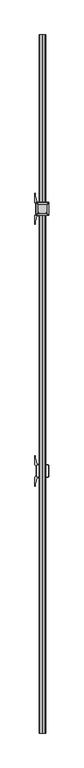
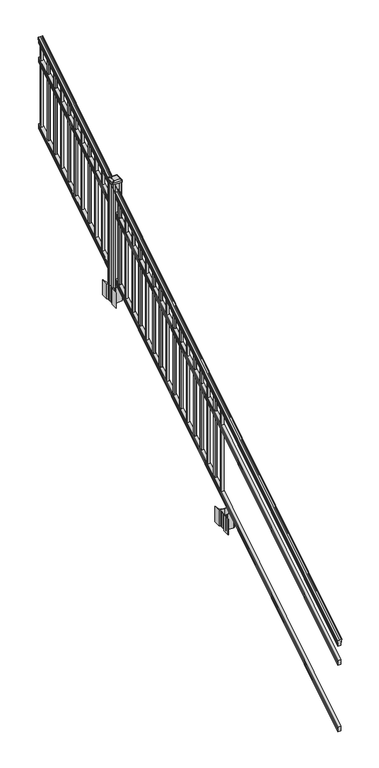
"""IFC4 building model written with IfcOpenShell, lengths in millimetres: railing geometry."""

from ifc_helpers import new_model, si_unit, point, frame, frame_2d, origin, place, context, project, spatial, polyline, circle_curve, ellipse_curve, trimmed, segment, composite_curve, outline, extrude, faceted_brep, source, transform, mapped, element, save
from ifc_brep_helpers import plane_surface, cylinder_surface, revolved_surface, extruded_surface, advanced_brep


def railing_3be7d18c(model_context):
    return source(origin(), model_context, "Body", "SolidModel", [
        advanced_brep(
        [(6977.4704765, -129368.4628453, 1133.2070492), (6977.4704765, -129368.4628453, 1135.4335658), (6978.6006628, -129368.4628453, 1137.2758543), (6978.6006628, -129368.4628453, 1145.7876358), (6977.9514064, -129368.4628453, 1148.6572588), (6980.4514064, -129368.4628453, 1153.7635509), (6981.8607489, -129368.4628453, 1155.7442021), (6982.2626479, -129368.4628453, 1157.0469579), (6982.2626478, -129368.4628453, 1158.6274846), (6980.7092005, -129368.4628453, 1160.4593836), (6960.0376478, -129368.4628453, 1160.4593836), (6939.366095, -129368.4628453, 1160.4593836), (6937.8126478, -129368.4628453, 1158.6274846), (6937.8126478, -129368.4628453, 1157.0469579), (6938.2145467, -129368.4628453, 1155.7442021), (6939.6238891, -129368.4628453, 1153.7635509), (6942.1238891, -129368.4628453, 1148.6572588), (6941.4746327, -129368.4628453, 1145.7876358), (6941.4746327, -129368.4628453, 1137.2758543), (6942.604819, -129368.4628453, 1135.4335658), (6942.604819, -129368.4628453, 1133.2070492), (6945.1786478, -129368.4628453, 1133.2070492), (6945.1786478, -129368.4628453, 1120.825537), (6944.1626478, -129368.4628453, 1119.6274214), (6944.1626478, -129368.4628453, 1104.9), (6975.9126478, -129368.4628453, 1104.9), (6975.9126478, -129368.4628453, 1119.441318), (6974.8966478, -129368.4628453, 1120.6394336), (6974.8966478, -129368.4628453, 1133.2070492), (6977.4704765, -124491.6628453, 4181.2070492), (6974.8966478, -124491.6628453, 4181.2070492), (6974.8966478, -124491.6628453, 4168.6394336), (6975.9126478, -124491.6628453, 4167.441318), (6975.9126478, -124491.6628453, 4152.9), (6944.1626478, -124491.6628453, 4152.9), (6944.1626478, -124491.6628453, 4167.6274214), (6945.1786478, -124491.6628453, 4168.825537), (6945.1786478, -124491.6628453, 4181.2070492), (6942.604819, -124491.6628453, 4181.2070492), (6942.604819, -124491.6628453, 4183.4335658), (6941.4746327, -124491.6628453, 4185.2758543), (6941.4746327, -124491.6628453, 4193.7876358), (6942.1238891, -124491.6628453, 4196.6572588), (6939.6238891, -124491.6628453, 4201.7635509), (6938.2145467, -124491.6628453, 4203.7442021), (6937.8126477, -124491.6628453, 4205.0469579), (6937.8126478, -124491.6628453, 4206.6274846), (6939.366095, -124491.6628453, 4208.4593836), (6960.0376478, -124491.6628453, 4208.4593836), (6980.7092005, -124491.6628453, 4208.4593836), (6982.2626478, -124491.6628453, 4206.6274846), (6982.2626478, -124491.6628453, 4205.0469579), (6981.8607489, -124491.6628453, 4203.7442021), (6980.4514064, -124491.6628453, 4201.7635509), (6977.9514064, -124491.6628453, 4196.6572588), (6978.6006628, -124491.6628453, 4193.7876358), (6978.6006628, -124491.6628453, 4185.2758543), (6977.4704765, -124491.6628453, 4183.4335658)],
        [
            (0, 1),
            (1, 2, ellipse_curve(frame((6971.1557232, -129368.4628453, 1142.2239405), z_axis=(0.0, -1.0, 0.0), x_axis=(0.0, 0.0, -1.0)), 10.0777926, 8.545951)),
            (2, 3, ellipse_curve(frame((6971.5927862, -129368.4628453, 1141.5317451), z_axis=(0.0, -1.0, 0.0), x_axis=(0.0, 0.0, -1.0)), 9.2955186, 7.882584)),
            (3, 4, ellipse_curve(frame((6982.1061103, -129368.4628453, 1148.4275077), z_axis=(0.0, 1.0, 0.0), x_axis=(0.0, 0.0, 1.0)), 4.9048088, 4.1592695)),
            (4, 5, ellipse_curve(frame((6983.3934169, -129368.4628453, 1148.3563208), z_axis=(0.0, 1.0, 0.0), x_axis=(0.0, 0.0, 1.0)), 6.4245301, 5.4479907)),
            (5, 6, ellipse_curve(frame((6982.1602584, -129368.4628453, 1153.7602333), z_axis=(0.0, 1.0, 0.0), x_axis=(0.0, 0.0, 1.0)), 2.0151625, 1.7088543)),
            (6, 7, ellipse_curve(frame((6980.5433583, -129368.4628453, 1157.0469579), z_axis=(0.0, -1.0, 0.0), x_axis=(0.0, 0.0, -1.0)), 2.0274681, 1.7192895)),
            (7, 8),
            (8, 9, ellipse_curve(frame((6980.7092005, -129368.4628453, 1158.6274846), z_axis=(0.0, -1.0, 0.0), x_axis=(0.0, 0.0, -1.0)), 1.831899, 1.5534472)),
            (9, 10),
            (10, 11),
            (11, 12, ellipse_curve(frame((6939.366095, -129368.4628453, 1158.6274846), z_axis=(0.0, -1.0, 0.0), x_axis=(0.0, 0.0, -1.0)), 1.831899, 1.5534472)),
            (12, 13),
            (13, 14, ellipse_curve(frame((6939.5319372, -129368.4628453, 1157.0469579), z_axis=(0.0, -1.0, 0.0), x_axis=(0.0, 0.0, -1.0)), 2.0274681, 1.7192895)),
            (14, 15, ellipse_curve(frame((6937.9150371, -129368.4628453, 1153.7602333), z_axis=(0.0, 1.0, 0.0), x_axis=(0.0, 0.0, 1.0)), 2.0151625, 1.7088543)),
            (15, 16, ellipse_curve(frame((6936.6818787, -129368.4628453, 1148.3563208), z_axis=(0.0, 1.0, 0.0), x_axis=(0.0, 0.0, 1.0)), 6.4245301, 5.4479907)),
            (16, 17, ellipse_curve(frame((6937.9691852, -129368.4628453, 1148.4275077), z_axis=(0.0, 1.0, 0.0), x_axis=(0.0, 0.0, 1.0)), 4.9048088, 4.1592695)),
            (17, 18, ellipse_curve(frame((6948.4825093, -129368.4628453, 1141.5317451), z_axis=(0.0, -1.0, 0.0), x_axis=(0.0, 0.0, -1.0)), 9.2955186, 7.882584)),
            (18, 19, ellipse_curve(frame((6948.9195723, -129368.4628453, 1142.2239405), z_axis=(0.0, -1.0, 0.0), x_axis=(0.0, 0.0, -1.0)), 10.0777926, 8.545951)),
            (19, 20),
            (20, 21, ellipse_curve(frame((6943.8917334, -129368.4628453, 1133.2070492), z_axis=(0.0, -1.0, 0.0), x_axis=(0.0, 0.0, -1.0)), 1.5175907, 1.2869144)),
            (21, 22),
            (22, 23),
            (23, 24),
            (24, 25),
            (25, 26),
            (26, 27),
            (27, 28),
            (28, 0, ellipse_curve(frame((6976.1835621, -129368.4628453, 1133.2070492), z_axis=(0.0, -1.0, 0.0), x_axis=(0.0, 0.0, -1.0)), 1.5175907, 1.2869144)),
            (29, 30, ellipse_curve(frame((6976.1835621, -124491.6628453, 4181.2070492), z_axis=(0.0, 1.0, 0.0), x_axis=(0.0, 0.0, -1.0)), 1.5175907, 1.2869144)),
            (30, 31),
            (31, 32),
            (32, 33),
            (33, 34),
            (34, 35),
            (35, 36),
            (36, 37),
            (37, 38, ellipse_curve(frame((6943.8917334, -124491.6628453, 4181.2070492), z_axis=(0.0, 1.0, 0.0), x_axis=(0.0, 0.0, -1.0)), 1.5175907, 1.2869144)),
            (38, 39),
            (39, 40, ellipse_curve(frame((6948.9195723, -124491.6628453, 4190.2239405), z_axis=(0.0, 1.0, 0.0), x_axis=(0.0, 0.0, -1.0)), 10.0777926, 8.545951)),
            (40, 41, ellipse_curve(frame((6948.4825093, -124491.6628453, 4189.5317451), z_axis=(0.0, 1.0, 0.0), x_axis=(0.0, 0.0, -1.0)), 9.2955186, 7.882584)),
            (41, 42, ellipse_curve(frame((6937.9691852, -124491.6628453, 4196.4275077), z_axis=(0.0, -1.0, 0.0), x_axis=(0.0, 0.0, 1.0)), 4.9048088, 4.1592695)),
            (42, 43, ellipse_curve(frame((6936.6818787, -124491.6628453, 4196.3563208), z_axis=(0.0, -1.0, 0.0), x_axis=(0.0, 0.0, 1.0)), 6.4245301, 5.4479907)),
            (43, 44, ellipse_curve(frame((6937.9150371, -124491.6628453, 4201.7602333), z_axis=(0.0, -1.0, 0.0), x_axis=(0.0, 0.0, 1.0)), 2.0151625, 1.7088543)),
            (44, 45, ellipse_curve(frame((6939.5319372, -124491.6628453, 4205.0469579), z_axis=(0.0, 1.0, 0.0), x_axis=(0.0, 0.0, -1.0)), 2.0274681, 1.7192895)),
            (45, 46),
            (46, 47, ellipse_curve(frame((6939.366095, -124491.6628453, 4206.6274846), z_axis=(0.0, 1.0, 0.0), x_axis=(0.0, 0.0, -1.0)), 1.831899, 1.5534472)),
            (47, 48),
            (48, 49),
            (49, 50, ellipse_curve(frame((6980.7092005, -124491.6628453, 4206.6274846), z_axis=(0.0, 1.0, 0.0), x_axis=(0.0, 0.0, -1.0)), 1.831899, 1.5534472)),
            (50, 51),
            (51, 52, ellipse_curve(frame((6980.5433583, -124491.6628453, 4205.0469579), z_axis=(0.0, 1.0, 0.0), x_axis=(0.0, 0.0, -1.0)), 2.0274681, 1.7192895)),
            (52, 53, ellipse_curve(frame((6982.1602584, -124491.6628453, 4201.7602333), z_axis=(0.0, -1.0, 0.0), x_axis=(0.0, 0.0, 1.0)), 2.0151625, 1.7088543)),
            (53, 54, ellipse_curve(frame((6983.3934169, -124491.6628453, 4196.3563208), z_axis=(0.0, -1.0, 0.0), x_axis=(0.0, 0.0, 1.0)), 6.4245301, 5.4479907)),
            (54, 55, ellipse_curve(frame((6982.1061103, -124491.6628453, 4196.4275077), z_axis=(0.0, -1.0, 0.0), x_axis=(0.0, 0.0, 1.0)), 4.9048088, 4.1592695)),
            (55, 56, ellipse_curve(frame((6971.5927862, -124491.6628453, 4189.5317451), z_axis=(0.0, 1.0, 0.0), x_axis=(0.0, 0.0, -1.0)), 9.2955186, 7.882584)),
            (56, 57, ellipse_curve(frame((6971.1557232, -124491.6628453, 4190.2239405), z_axis=(0.0, 1.0, 0.0), x_axis=(0.0, 0.0, -1.0)), 10.0777926, 8.545951)),
            (57, 29),
            (28, 30),
            (29, 0),
            (27, 31),
            (26, 32),
            (25, 33),
            (24, 34),
            (23, 35),
            (22, 36),
            (21, 37),
            (20, 38),
            (19, 39),
            (18, 40),
            (17, 41),
            (16, 42),
            (15, 43),
            (14, 44),
            (13, 45),
            (12, 46),
            (11, 47),
            (10, 48),
            (9, 49),
            (8, 50),
            (7, 51),
            (6, 52),
            (5, 53),
            (4, 54),
            (3, 55),
            (2, 56),
            (1, 57),
        ],
        [
            plane_surface(frame((6960.0376478, -129368.4628453, 1104.9), z_axis=(0.0, -1.0, 0.0), x_axis=(0.0, 0.0, 1.0))),
            plane_surface(frame((6960.0376478, -124491.6628453, 4152.9), z_axis=(0.0, 1.0, 0.0), x_axis=(0.0, 0.0, 1.0))),
            cylinder_surface(frame((6976.1835621, -129381.1851146, 1125.2556309), z_axis=(0.0, -0.8479983040051253, -0.5299989400031204), x_axis=(-1.0, 0.0, 0.0)), 1.2869144),
            plane_surface(frame((6974.8966478, -129368.4628453, 1120.6394336), z_axis=(1.0000000000000002, 0.0, 0.0), x_axis=(0.0, 0.8479983040051253, 0.5299989400031204))),
            plane_surface(frame((6975.9126478, -129368.4628453, 1119.441318), z_axis=(0.7071067811865389, -0.374765844497894, 0.5996253511967226), x_axis=(0.0, 0.8479983040051253, 0.5299989400031204))),
            plane_surface(frame((6975.9126478, -129368.4628453, 1104.9), z_axis=(1.0, 0.0, 0.0), x_axis=(0.0, 0.8479983040051252, 0.5299989400031204))),
            plane_surface(frame((6944.1626478, -129368.4628453, 1104.9), z_axis=(0.0, 0.5299989400031204, -0.8479983040051252), x_axis=(0.0, 0.8479983040051252, 0.5299989400031204))),
            plane_surface(frame((6944.1626478, -129368.4628453, 1119.6274214), z_axis=(-1.0000000000000002, 0.0, 0.0), x_axis=(0.0, 0.8479983040051253, 0.5299989400031204))),
            plane_surface(frame((6945.1786478, -129368.4628453, 1120.825537), z_axis=(-0.7071067811865437, -0.37476584449788986, 0.5996253511967191), x_axis=(0.0, 0.8479983040051252, 0.5299989400031204))),
            plane_surface(frame((6945.1786478, -129368.4628453, 1133.2070492), z_axis=(-1.0, 0.0, 0.0), x_axis=(0.0, 0.8479983040051252, 0.5299989400031204))),
            cylinder_surface(frame((6943.8917334, -129381.1851146, 1125.2556309), z_axis=(0.0, -0.8479983040051253, -0.5299989400031204), x_axis=(1.0, 0.0, 0.0)), 1.2869144),
            plane_surface(frame((6942.604819, -129368.4628453, 1135.4335658), z_axis=(-1.0, 0.0, 0.0), x_axis=(0.0, 0.8479983040051252, 0.5299989400031204))),
            cylinder_surface(frame((6948.9195723, -129385.23765, 1131.7396876), z_axis=(0.0, -0.8479983040051253, -0.5299989400031204), x_axis=(1.0, 0.0, 0.0)), 8.545951),
            cylinder_surface(frame((6948.4825093, -129384.9265509, 1131.241929), z_axis=(0.0, -0.8479983040051253, -0.5299989400031204), x_axis=(1.0, 0.0, 0.0)), 7.882584),
            revolved_surface(polyline([(6942.1284547, -124489.45843685034, 4197.805262980552), (6942.1284547, -129370.66725374945, 1147.0497524190953)]), (6937.9691852, -129388.0257701, 1136.2006797), (0.0, 0.8479983040051253, 0.5299989400031204)),
            revolved_surface(polyline([(6942.129869400001, -124488.77541603574, 4198.160964077185), (6942.129869400001, -129371.35027455281, 1146.551677504493)]), (6936.6818787, -129387.993776, 1136.1494891), (0.0, 0.8479983040051253, 0.5299989400031204)),
            revolved_surface(polyline([(6939.6238914, -124490.75715429979, 4202.326290199658), (6939.6238914, -129369.36853632248, 1153.1941764359544)]), (6937.9150371, -129390.4225007, 1140.0354487), (0.0, 0.8479983040051253, 0.5299989400031204)),
            cylinder_surface(frame((6939.5319372, -129391.8996803, 1142.398936), z_axis=(0.0, -0.8479983040051253, -0.5299989400031204), x_axis=(1.0, 0.0, 0.0)), 1.7192895),
            plane_surface(frame((6937.8126478, -129368.4628453, 1158.6274846), z_axis=(-1.0, 0.0, 0.0), x_axis=(0.0, 0.8479983040051252, 0.5299989400031204))),
            cylinder_surface(frame((6939.366095, -129392.6100294, 1143.5354945), z_axis=(0.0, -0.8479983040051253, -0.5299989400031204), x_axis=(1.0, 0.0, 0.0)), 1.5534472),
            plane_surface(frame((6960.0376478, -129368.4628453, 1160.4593836), z_axis=(0.0, -0.5299989400031204, 0.8479983040051252), x_axis=(0.0, 0.8479983040051252, 0.5299989400031204))),
            plane_surface(frame((6980.7092005, -129368.4628453, 1160.4593836), z_axis=(0.0, -0.5299989400031204, 0.8479983040051252), x_axis=(0.0, 0.8479983040051252, 0.5299989400031204))),
            cylinder_surface(frame((6980.7092005, -129392.6100294, 1143.5354945), z_axis=(0.0, -0.8479983040051253, -0.5299989400031204), x_axis=(-1.0, 0.0, 0.0)), 1.5534472),
            plane_surface(frame((6982.2626478, -129368.4628453, 1157.0469579), z_axis=(1.0000000000000002, 0.0, 0.0), x_axis=(0.0, 0.8479983040051253, 0.5299989400031204))),
            cylinder_surface(frame((6980.5433583, -129391.8996803, 1142.398936), z_axis=(0.0, -0.8479983040051253, -0.5299989400031204), x_axis=(-1.0, 0.0, 0.0)), 1.7192895),
            revolved_surface(polyline([(6980.4514041, -124490.75715429979, 4202.326290199658), (6980.4514041, -129369.36853632248, 1153.1941764359544)]), (6982.1602584, -129390.4225007, 1140.0354487), (0.0, 0.8479983040051253, 0.5299989400031204)),
            revolved_surface(polyline([(6977.9454262, -124488.77541603574, 4198.160964077185), (6977.9454262, -129371.35027455281, 1146.551677504493)]), (6983.3934169, -129387.993776, 1136.1494891), (0.0, 0.8479983040051253, 0.5299989400031204)),
            revolved_surface(polyline([(6977.9468408, -124489.45843685034, 4197.805262980552), (6977.9468408, -129370.66725374945, 1147.0497524190953)]), (6982.1061103, -129388.0257701, 1136.2006797), (0.0, 0.8479983040051253, 0.5299989400031204)),
            cylinder_surface(frame((6971.5927862, -129384.9265509, 1131.241929), z_axis=(0.0, -0.8479983040051253, -0.5299989400031204), x_axis=(-1.0, 0.0, 0.0)), 7.882584),
            cylinder_surface(frame((6971.1557232, -129385.23765, 1131.7396876), z_axis=(0.0, -0.8479983040051253, -0.5299989400031204), x_axis=(-1.0, 0.0, 0.0)), 8.545951),
            plane_surface(frame((6977.4704765, -129368.4628453, 1133.2070492), z_axis=(1.0, 0.0, 0.0), x_axis=(0.0, 0.8479983040051252, 0.5299989400031204))),
        ],
        [
            (0, [[1, 2, 3, 4, 5, 6, 7, 8, 9, 10, 11, 12, 13, 14, 15, 16, 17, 18, 19, 20, 21, 22, 23, 24, 25, 26, 27, 28, 29]]),
            (1, [[30, 31, 32, 33, 34, 35, 36, 37, 38, 39, 40, 41, 42, 43, 44, 45, 46, 47, 48, 49, 50, 51, 52, 53, 54, 55, 56, 57, 58]]),
            (2, [[-29, 59, -30, 60]]),
            (3, [[-28, 61, -31, -59]]),
            (4, [[-27, 62, -32, -61]]),
            (5, [[-26, 63, -33, -62]]),
            (6, [[-25, 64, -34, -63]]),
            (7, [[-24, 65, -35, -64]]),
            (8, [[-23, 66, -36, -65]]),
            (9, [[-22, 67, -37, -66]]),
            (10, [[-21, 68, -38, -67]]),
            (11, [[-20, 69, -39, -68]]),
            (12, [[-19, 70, -40, -69]]),
            (13, [[-18, 71, -41, -70]]),
            (14, [[-17, 72, -42, -71]]),
            (15, [[-16, 73, -43, -72]]),
            (16, [[-15, 74, -44, -73]]),
            (17, [[-14, 75, -45, -74]]),
            (18, [[-13, 76, -46, -75]]),
            (19, [[-12, 77, -47, -76]]),
            (20, [[-11, 78, -48, -77]]),
            (21, [[-10, 79, -49, -78]]),
            (22, [[-9, 80, -50, -79]]),
            (23, [[-8, 81, -51, -80]]),
            (24, [[-7, 82, -52, -81]]),
            (25, [[-6, 83, -53, -82]]),
            (26, [[-5, 84, -54, -83]]),
            (27, [[-4, 85, -55, -84]]),
            (28, [[-3, 86, -56, -85]]),
            (29, [[-2, 87, -57, -86]]),
            (30, [[-1, -60, -58, -87]]),
        ],
    ),
        faceted_brep([(6975.9501347, -129368.4628453, 929.2045079), (6974.9341347, -129368.4628453, 930.738026), (6974.9341347, -129368.4628453, 942.9545048), (6975.9501347, -129368.4628453, 944.5444579), (6975.9501347, -129368.4628453, 959.3244744), (6944.2001347, -129368.4628453, 959.3244744), (6944.2001347, -129368.4628453, 944.5248272), (6945.2161347, -129368.4628453, 942.9348741), (6945.2161347, -129368.4628453, 930.7748303), (6944.2001347, -129368.4628453, 929.1848772), (6944.2001347, -129368.4628453, 914.4), (6975.9501347, -129368.4628453, 914.4), (6975.9501347, -124491.6628453, 3977.2045079), (6975.9501347, -124491.6628453, 3962.4), (6944.2001347, -124491.6628453, 3962.4), (6944.2001347, -124491.6628453, 3977.1848772), (6945.2161347, -124491.6628453, 3978.7748303), (6945.2161347, -124491.6628453, 3990.9348741), (6944.2001347, -124491.6628453, 3992.5248272), (6944.2001347, -124491.6628453, 4007.3244744), (6975.9501347, -124491.6628453, 4007.3244744), (6975.9501347, -124491.6628453, 3992.5444579), (6974.9341347, -124491.6628453, 3990.9545048), (6974.9341347, -124491.6628453, 3978.738026)], [[[0, 1, 2, 3, 4, 5, 6, 7, 8, 9, 10, 11]], [[12, 13, 14, 15, 16, 17, 18, 19, 20, 21, 22, 23]], [[0, 11, 13, 12]], [[11, 10, 14, 13]], [[10, 9, 15, 14]], [[9, 8, 16, 15]], [[8, 7, 17, 16]], [[7, 6, 18, 17]], [[6, 5, 19, 18]], [[5, 4, 20, 19]], [[4, 3, 21, 20]], [[3, 2, 22, 21]], [[2, 1, 23, 22]], [[1, 0, 12, 23]]]),
        faceted_brep([(6975.9501347, -129368.4628453, 268.8045079), (6974.9341347, -129368.4628453, 270.338026), (6974.9341347, -129368.4628453, 282.5545048), (6975.9501347, -129368.4628453, 284.1444579), (6975.9501347, -129368.4628453, 298.9244744), (6944.2001347, -129368.4628453, 298.9244744), (6944.2001347, -129368.4628453, 284.1248272), (6945.2161347, -129368.4628453, 282.5348741), (6945.2161347, -129368.4628453, 270.3748303), (6944.2001347, -129368.4628453, 268.7848772), (6944.2001347, -129368.4628453, 254.0), (6975.9501347, -129368.4628453, 254.0), (6975.9501347, -124491.6628453, 3316.8045079), (6975.9501347, -124491.6628453, 3302.0), (6944.2001347, -124491.6628453, 3302.0), (6944.2001347, -124491.6628453, 3316.7848772), (6945.2161347, -124491.6628453, 3318.3748303), (6945.2161347, -124491.6628453, 3330.5348741), (6944.2001347, -124491.6628453, 3332.1248272), (6944.2001347, -124491.6628453, 3346.9244744), (6975.9501347, -124491.6628453, 3346.9244744), (6975.9501347, -124491.6628453, 3332.1444579), (6974.9341347, -124491.6628453, 3330.5545048), (6974.9341347, -124491.6628453, 3318.338026)], [[[0, 1, 2, 3, 4, 5, 6, 7, 8, 9, 10, 11]], [[12, 13, 14, 15, 16, 17, 18, 19, 20, 21, 22, 23]], [[2, 1, 23, 22]], [[4, 3, 21, 20]], [[6, 5, 19, 18]], [[0, 11, 13, 12]], [[1, 0, 12, 23]], [[3, 2, 22, 21]], [[5, 4, 20, 19]], [[7, 6, 18, 17]], [[8, 7, 17, 16]], [[9, 8, 16, 15]], [[10, 9, 15, 14]], [[11, 10, 14, 13]]]),
        extrude(outline(polyline([(6969.5626478, -124522.7778453), (6950.5126478, -124522.7778453), (6950.5126478, -124503.7278453), (6969.5626478, -124503.7278453), (6969.5626478, -124522.7778453)]), holes=[polyline([(6969.1657728, -124522.3809703), (6969.1657728, -124504.1247203), (6950.9095228, -124504.1247203), (6950.9095228, -124522.3809703), (6969.1657728, -124522.3809703)])]), frame((0.0, 0.0, 3326.6021281), z_axis=(0.0, 0.0, 1.0), x_axis=(1.0, 0.0, 0.0)), (0.0, 0.0, 1.0), 812.8041219),
        extrude(outline(polyline([(6969.5626478, -124634.0298453), (6950.5126478, -124634.0298453), (6950.5126478, -124614.9798453), (6969.5626478, -124614.9798453), (6969.5626478, -124634.0298453)]), holes=[polyline([(6969.1657728, -124633.6329703), (6969.1657728, -124615.3767203), (6950.9095228, -124615.3767203), (6950.9095228, -124633.6329703), (6969.1657728, -124633.6329703)])]), frame((0.0, 0.0, 3257.0696281), z_axis=(0.0, 0.0, 1.0), x_axis=(1.0, 0.0, 0.0)), (0.0, 0.0, 1.0), 812.8041219),
        extrude(outline(polyline([(6969.5626478, -124745.2818453), (6950.5126478, -124745.2818453), (6950.5126478, -124726.2318453), (6969.5626478, -124726.2318453), (6969.5626478, -124745.2818453)]), holes=[polyline([(6969.1657728, -124744.8849703), (6969.1657728, -124726.6287203), (6950.9095228, -124726.6287203), (6950.9095228, -124744.8849703), (6969.1657728, -124744.8849703)])]), frame((0.0, 0.0, 3187.5371281), z_axis=(0.0, 0.0, 1.0), x_axis=(1.0, 0.0, 0.0)), (0.0, 0.0, 1.0), 812.8041219),
        extrude(outline(polyline([(6969.5626478, -124856.5338453), (6950.5126478, -124856.5338453), (6950.5126478, -124837.4838453), (6969.5626478, -124837.4838453), (6969.5626478, -124856.5338453)]), holes=[polyline([(6969.1657728, -124856.1369703), (6969.1657728, -124837.8807203), (6950.9095228, -124837.8807203), (6950.9095228, -124856.1369703), (6969.1657728, -124856.1369703)])]), frame((0.0, 0.0, 3118.0046281), z_axis=(0.0, 0.0, 1.0), x_axis=(1.0, 0.0, 0.0)), (0.0, 0.0, 1.0), 812.8041219),
        extrude(outline(polyline([(6969.5626478, -124967.7858453), (6950.5126478, -124967.7858453), (6950.5126478, -124948.7358453), (6969.5626478, -124948.7358453), (6969.5626478, -124967.7858453)]), holes=[polyline([(6969.1657728, -124967.3889703), (6969.1657728, -124949.1327203), (6950.9095228, -124949.1327203), (6950.9095228, -124967.3889703), (6969.1657728, -124967.3889703)])]), frame((0.0, 0.0, 3048.4721281), z_axis=(0.0, 0.0, 1.0), x_axis=(1.0, 0.0, 0.0)), (0.0, 0.0, 1.0), 812.8041219),
        extrude(outline(polyline([(6969.5626478, -125079.0378453), (6950.5126478, -125079.0378453), (6950.5126478, -125059.9878453), (6969.5626478, -125059.9878453), (6969.5626478, -125079.0378453)]), holes=[polyline([(6969.1657728, -125078.6409703), (6969.1657728, -125060.3847203), (6950.9095228, -125060.3847203), (6950.9095228, -125078.6409703), (6969.1657728, -125078.6409703)])]), frame((0.0, 0.0, 2978.9396281), z_axis=(0.0, 0.0, 1.0), x_axis=(1.0, 0.0, 0.0)), (0.0, 0.0, 1.0), 812.8041219),
        extrude(outline(polyline([(6969.5626478, -125190.2898453), (6950.5126478, -125190.2898453), (6950.5126478, -125171.2398453), (6969.5626478, -125171.2398453), (6969.5626478, -125190.2898453)]), holes=[polyline([(6969.1657728, -125189.8929703), (6969.1657728, -125171.6367203), (6950.9095228, -125171.6367203), (6950.9095228, -125189.8929703), (6969.1657728, -125189.8929703)])]), frame((0.0, 0.0, 2909.4071281), z_axis=(0.0, 0.0, 1.0), x_axis=(1.0, 0.0, 0.0)), (0.0, 0.0, 1.0), 812.8041219),
        extrude(outline(polyline([(6969.5626478, -125301.5418453), (6950.5126478, -125301.5418453), (6950.5126478, -125282.4918453), (6969.5626478, -125282.4918453), (6969.5626478, -125301.5418453)]), holes=[polyline([(6969.1657728, -125301.1449703), (6969.1657728, -125282.8887203), (6950.9095228, -125282.8887203), (6950.9095228, -125301.1449703), (6969.1657728, -125301.1449703)])]), frame((0.0, 0.0, 2839.8746281), z_axis=(0.0, 0.0, 1.0), x_axis=(1.0, 0.0, 0.0)), (0.0, 0.0, 1.0), 812.8041219),
        extrude(outline(polyline([(6969.5626478, -125412.7938453), (6950.5126478, -125412.7938453), (6950.5126478, -125393.7438453), (6969.5626478, -125393.7438453), (6969.5626478, -125412.7938453)]), holes=[polyline([(6969.1657728, -125412.3969703), (6969.1657728, -125394.1407203), (6950.9095228, -125394.1407203), (6950.9095228, -125412.3969703), (6969.1657728, -125412.3969703)])]), frame((0.0, 0.0, 2770.3421281), z_axis=(0.0, 0.0, 1.0), x_axis=(1.0, 0.0, 0.0)), (0.0, 0.0, 1.0), 812.8041219),
        extrude(outline(polyline([(6969.5626478, -125524.0458453), (6950.5126478, -125524.0458453), (6950.5126478, -125504.9958453), (6969.5626478, -125504.9958453), (6969.5626478, -125524.0458453)]), holes=[polyline([(6969.1657728, -125523.6489703), (6969.1657728, -125505.3927203), (6950.9095228, -125505.3927203), (6950.9095228, -125523.6489703), (6969.1657728, -125523.6489703)])]), frame((0.0, 0.0, 2700.8096281), z_axis=(0.0, 0.0, 1.0), x_axis=(1.0, 0.0, 0.0)), (0.0, 0.0, 1.0), 812.8041219),
        extrude(outline(polyline([(6969.5626478, -125635.2978453), (6950.5126478, -125635.2978453), (6950.5126478, -125616.2478453), (6969.5626478, -125616.2478453), (6969.5626478, -125635.2978453)]), holes=[polyline([(6969.1657728, -125634.9009703), (6969.1657728, -125616.6447203), (6950.9095228, -125616.6447203), (6950.9095228, -125634.9009703), (6969.1657728, -125634.9009703)])]), frame((0.0, 0.0, 2631.2771281), z_axis=(0.0, 0.0, 1.0), x_axis=(1.0, 0.0, 0.0)), (0.0, 0.0, 1.0), 812.8041219),
        extrude(outline(composite_curve([segment(polyline([(7002.7731478, -125724.1849401), (7004.3606478, -125724.9469401), (7004.3606478, -125747.7488682), (7000.9876707, -125751.1218453), (6939.5279999, -125751.1218453), (6939.5279999, -125752.0425953), (6934.2104561, -125752.0425953), (6934.2104561, -125753.49685), (6929.1259264, -125753.49685), (6929.1259264, -125754.7808738), (6927.4586541, -125754.7808738)]), True, "CONTINUOUS"), segment(trimmed(circle_curve(frame_2d((6927.4586541, -125761.8403337)), 7.0594599), [point((6927.4586541, -125754.7808738))], [point((6920.6913912, -125759.830327))], True, "CARTESIAN"), True, "CONTINUOUS"), segment(polyline([(6920.6913912, -125759.830327), (6912.8171969, -125786.3410561)]), True, "CONTINUOUS"), segment(trimmed(circle_curve(frame_2d((6967.6017103, -125802.6131057)), 57.15), [point((6912.8171969, -125786.3410561))], [point((6910.4517103, -125802.6131057))], True, "CARTESIAN"), True, "CONTINUOUS"), segment(polyline([(6910.4517103, -125802.6131057), (6910.4517103, -125814.6218453), (6907.4517103, -125814.6218453), (6907.4517103, -125749.5343453), (6915.7146478, -125738.196054), (6915.7146478, -125724.9469401), (6917.3021478, -125724.1849401), (6917.3021478, -125689.4127504), (6915.7146478, -125688.6507504), (6915.7146478, -125675.4016366), (6907.4517103, -125664.0633453), (6907.4517103, -125598.9758453), (6910.4517103, -125598.9758453), (6910.4517103, -125610.9845848)]), True, "CONTINUOUS"), segment(trimmed(circle_curve(frame_2d((6967.6017103, -125610.9845848)), 57.15), [point((6910.4517103, -125610.9845848))], [point((6912.8171969, -125627.2566345))], True, "CARTESIAN"), True, "CONTINUOUS"), segment(polyline([(6912.8171969, -125627.2566345), (6920.6913912, -125653.7673636)]), True, "CONTINUOUS"), segment(trimmed(circle_curve(frame_2d((6927.4586541, -125651.7573569)), 7.0594599), [point((6920.6913912, -125653.7673636))], [point((6927.4586541, -125658.8168168))], True, "CARTESIAN"), True, "CONTINUOUS"), segment(polyline([(6927.4586541, -125658.8168168), (6929.1259264, -125658.8168168), (6929.1259264, -125660.1008406), (6934.2104561, -125660.1008406), (6934.2104561, -125661.5550953), (6939.5279999, -125661.5550953), (6939.5279999, -125662.4758453), (7000.9876707, -125662.4758453), (7004.3606478, -125665.8488224), (7004.3606478, -125688.6507504), (7002.7731478, -125689.4127504), (7002.7731478, -125724.1849401)]), True, "CONTINUOUS")], self_intersect=False), holes=[polyline([(6918.7626478, -125667.1113453), (6918.7626478, -125746.4863453), (6920.3501478, -125748.0738453), (6957.2744304, -125748.0738453), (6999.7251478, -125748.0738453), (7001.3126478, -125746.4863453), (7001.3126478, -125667.1113453), (6999.7251478, -125665.5238453), (6957.2744304, -125665.5238453), (6920.3501478, -125665.5238453), (6918.7626478, -125667.1113453)])]), frame((0.0, 0.0, 2326.64), z_axis=(0.0, 0.0, 1.0), x_axis=(1.0, 0.0, 0.0)), (0.0, 0.0, 1.0), 152.4),
        advanced_brep(
        [(6934.2407728, -125735.7707203, 3538.979263), (6985.8345228, -125735.7707203, 3538.979263), (6989.0095228, -125732.5957203, 3538.979263), (6989.0095228, -125681.0019703, 3538.979263), (6985.8345228, -125677.8269703, 3538.979263), (6934.2407728, -125677.8269703, 3538.979263), (6931.0657728, -125681.0019703, 3538.979263), (6931.0657728, -125732.5957203, 3538.979263), (6917.9688978, -125752.0425953, 3527.676263), (6914.7938978, -125748.8675953, 3527.676263), (6914.7938978, -125664.7300953, 3527.676263), (6917.9688978, -125661.5550953, 3527.676263), (7002.1063978, -125661.5550953, 3527.676263), (7005.2813978, -125664.7300953, 3527.676263), (7005.2813978, -125748.8675953, 3527.676263), (7002.1063978, -125752.0425953, 3527.676263)],
        [
            (0, 1),
            (1, 2, circle_curve(frame((6985.8345228, -125732.5957203, 3538.979263), z_axis=(0.0, 0.0, 1.0), x_axis=(0.0, 1.0, 0.0)), 3.175)),
            (2, 3),
            (3, 4, circle_curve(frame((6985.8345228, -125681.0019703, 3538.979263), z_axis=(0.0, 0.0, 1.0), x_axis=(0.0, 1.0, 0.0)), 3.175)),
            (4, 5),
            (5, 6, circle_curve(frame((6934.2407728, -125681.0019703, 3538.979263), z_axis=(0.0, 0.0, 1.0), x_axis=(0.0, 1.0, 0.0)), 3.175)),
            (6, 7),
            (7, 0, circle_curve(frame((6934.2407728, -125732.5957203, 3538.979263), z_axis=(0.0, 0.0, 1.0), x_axis=(0.0, 1.0, 0.0)), 3.175)),
            (8, 9, circle_curve(frame((6917.9688978, -125748.8675953, 3527.676263), z_axis=(0.0, 0.0, -1.0), x_axis=(0.0, 1.0, 0.0)), 3.175)),
            (9, 10),
            (10, 11, circle_curve(frame((6917.9688978, -125664.7300953, 3527.676263), z_axis=(0.0, 0.0, -1.0), x_axis=(0.0, 1.0, 0.0)), 3.175)),
            (11, 12),
            (12, 13, circle_curve(frame((7002.1063978, -125664.7300953, 3527.676263), z_axis=(0.0, 0.0, -1.0), x_axis=(0.0, 1.0, 0.0)), 3.175)),
            (13, 14),
            (14, 15, circle_curve(frame((7002.1063978, -125748.8675953, 3527.676263), z_axis=(0.0, 0.0, -1.0), x_axis=(0.0, 1.0, 0.0)), 3.175)),
            (15, 8),
            (8, 0),
            (7, 9),
            (6, 10),
            (5, 11),
            (4, 12),
            (3, 13),
            (2, 14),
            (1, 15),
        ],
        [
            plane_surface(frame((6960.0376478, -125706.7988453, 3538.979263), z_axis=(0.0, 0.0, 1.0), x_axis=(-1.0, 0.0, 0.0))),
            plane_surface(frame((6960.0376478, -125706.7988453, 3527.676263), z_axis=(0.0, 0.0, -1.0), x_axis=(-1.0, 0.0, 0.0))),
            extruded_surface(trimmed(circle_curve(frame((6934.2407728, -125732.5957203, 3538.979263), z_axis=(0.0, 0.0, -1.0), x_axis=(0.0, 1.0, 0.0)), 3.175), [point((6934.2407728, -125735.7707203, 3538.979263))], [point((6931.0657728, -125732.5957203, 3538.979263))], True, "CARTESIAN"), (-16.271874999999454, -16.27187500000582, -11.303000000000338), 25.63797263886966),
            plane_surface(frame((6914.7938978, -125706.7988453, 3527.676263), z_axis=(-0.5705009161540778, 0.0, 0.8212969649690408), x_axis=(0.0, 1.0, 0.0))),
            extruded_surface(trimmed(circle_curve(frame((6934.2407728, -125681.0019703, 3538.979263), z_axis=(0.0, 0.0, -1.0), x_axis=(0.0, 1.0, 0.0)), 3.175), [point((6931.0657728, -125681.0019703, 3538.979263))], [point((6934.2407728, -125677.8269703, 3538.979263))], True, "CARTESIAN"), (-16.271874999999454, 16.27187500000582, -11.303000000000338), 25.63797263886966),
            plane_surface(frame((6960.0376478, -125661.5550953, 3527.676263), z_axis=(0.0, 0.5705009161540291, 0.8212969649690747), x_axis=(1.0, 0.0, 0.0))),
            extruded_surface(trimmed(circle_curve(frame((6985.8345228, -125681.0019703, 3538.979263), z_axis=(0.0, 0.0, -1.0), x_axis=(0.0, 1.0, 0.0)), 3.175), [point((6985.8345228, -125677.8269703, 3538.979263))], [point((6989.0095228, -125681.0019703, 3538.979263))], True, "CARTESIAN"), (16.271875000000364, 16.27187500000582, -11.303000000000338), 25.637972638870238),
            plane_surface(frame((7005.2813978, -125706.7988453, 3527.676263), z_axis=(0.5705009161540142, 0.0, 0.8212969649690851), x_axis=(0.0, -1.0, 0.0))),
            extruded_surface(trimmed(circle_curve(frame((6985.8345228, -125732.5957203, 3538.979263), z_axis=(0.0, 0.0, -1.0), x_axis=(0.0, 1.0, 0.0)), 3.175), [point((6989.0095228, -125732.5957203, 3538.979263))], [point((6985.8345228, -125735.7707203, 3538.979263))], True, "CARTESIAN"), (16.271875000000364, -16.27187500000582, -11.303000000000338), 25.637972638870238),
            plane_surface(frame((6960.0376478, -125752.0425953, 3527.676263), z_axis=(0.0, -0.570500916154034, 0.8212969649690713), x_axis=(-1.0, 0.0, 0.0))),
        ],
        [
            (0, [[1, 2, 3, 4, 5, 6, 7, 8]]),
            (1, [[9, 10, 11, 12, 13, 14, 15, 16]]),
            (2, [[17, -8, 18, -9]]),
            (3, [[-18, -7, 19, -10]]),
            (4, [[-19, -6, 20, -11]]),
            (5, [[-20, -5, 21, -12]]),
            (6, [[-21, -4, 22, -13]]),
            (7, [[-22, -3, 23, -14]]),
            (8, [[-23, -2, 24, -15]]),
            (9, [[-24, -1, -17, -16]]),
        ],
    ),
        extrude(outline(composite_curve([segment(trimmed(circle_curve(frame_2d((6917.9688978, -125748.8675953)), 3.175), [point((6917.9688978, -125752.0425953))], [point((6914.7938978, -125748.8675953))], False, "CARTESIAN"), True, "CONTINUOUS"), segment(polyline([(6914.7938978, -125748.8675953), (6914.7938978, -125664.7300953)]), True, "CONTINUOUS"), segment(trimmed(circle_curve(frame_2d((6917.9688978, -125664.7300953)), 3.175), [point((6914.7938978, -125664.7300953))], [point((6917.9688978, -125661.5550953))], False, "CARTESIAN"), True, "CONTINUOUS"), segment(polyline([(6917.9688978, -125661.5550953), (7002.1063978, -125661.5550953)]), True, "CONTINUOUS"), segment(trimmed(circle_curve(frame_2d((7002.1063978, -125664.7300953)), 3.175), [point((7002.1063978, -125661.5550953))], [point((7005.2813978, -125664.7300953))], False, "CARTESIAN"), True, "CONTINUOUS"), segment(polyline([(7005.2813978, -125664.7300953), (7005.2813978, -125748.8675953)]), True, "CONTINUOUS"), segment(trimmed(circle_curve(frame_2d((7002.1063978, -125748.8675953)), 3.175), [point((7005.2813978, -125748.8675953))], [point((7002.1063978, -125752.0425953))], False, "CARTESIAN"), True, "CONTINUOUS"), segment(polyline([(7002.1063978, -125752.0425953), (6917.9688978, -125752.0425953)]), True, "CONTINUOUS")], self_intersect=False)), frame((0.0, 0.0, 3510.404263), z_axis=(0.0, 0.0, 1.0), x_axis=(1.0, 0.0, 0.0)), (0.0, 0.0, 1.0), 17.272),
        extrude(outline(polyline([(6920.3501478, -125748.0738453), (6918.7626478, -125746.4863453), (6918.7626478, -125726.8648453), (6920.3501478, -125726.1028453), (6920.3501478, -125687.4948453), (6918.7626478, -125686.7328453), (6918.7626478, -125667.1113453), (6920.3501478, -125665.5238453), (6939.9716478, -125665.5238453), (6940.7336478, -125667.1113453), (6979.3416478, -125667.1113453), (6980.1036478, -125665.5238453), (6999.7251478, -125665.5238453), (7001.3126478, -125667.1113453), (7001.3126478, -125686.7328453), (6999.7251478, -125687.4948453), (6999.7251478, -125726.1028453), (7001.3126478, -125726.8648453), (7001.3126478, -125746.4863453), (6999.7251478, -125748.0738453), (6980.1036478, -125748.0738453), (6979.3416478, -125746.4863453), (6940.7336478, -125746.4863453), (6939.9716478, -125748.0738453), (6920.3501478, -125748.0738453)])), frame((0.0, 0.0, 2479.04), z_axis=(0.0, 0.0, 1.0), x_axis=(1.0, 0.0, 0.0)), (0.0, 0.0, 1.0), 1031.364263),
        extrude(outline(polyline([(6969.5626478, -125797.3498453), (6950.5126478, -125797.3498453), (6950.5126478, -125778.2998453), (6969.5626478, -125778.2998453), (6969.5626478, -125797.3498453)]), holes=[polyline([(6969.1657728, -125796.9529703), (6969.1657728, -125778.6967203), (6950.9095228, -125778.6967203), (6950.9095228, -125796.9529703), (6969.1657728, -125796.9529703)])]), frame((0.0, 0.0, 2529.9946281), z_axis=(0.0, 0.0, 1.0), x_axis=(1.0, 0.0, 0.0)), (0.0, 0.0, 1.0), 812.8041219),
        extrude(outline(polyline([(6969.5626478, -125908.6018453), (6950.5126478, -125908.6018453), (6950.5126478, -125889.5518453), (6969.5626478, -125889.5518453), (6969.5626478, -125908.6018453)]), holes=[polyline([(6969.1657728, -125908.2049703), (6969.1657728, -125889.9487203), (6950.9095228, -125889.9487203), (6950.9095228, -125908.2049703), (6969.1657728, -125908.2049703)])]), frame((0.0, 0.0, 2460.4621281), z_axis=(0.0, 0.0, 1.0), x_axis=(1.0, 0.0, 0.0)), (0.0, 0.0, 1.0), 812.8041219),
        extrude(outline(polyline([(6969.5626478, -126019.8538453), (6950.5126478, -126019.8538453), (6950.5126478, -126000.8038453), (6969.5626478, -126000.8038453), (6969.5626478, -126019.8538453)]), holes=[polyline([(6969.1657728, -126019.4569703), (6969.1657728, -126001.2007203), (6950.9095228, -126001.2007203), (6950.9095228, -126019.4569703), (6969.1657728, -126019.4569703)])]), frame((0.0, 0.0, 2390.9296281), z_axis=(0.0, 0.0, 1.0), x_axis=(1.0, 0.0, 0.0)), (0.0, 0.0, 1.0), 812.8041219),
        extrude(outline(polyline([(6969.5626478, -126131.1058453), (6950.5126478, -126131.1058453), (6950.5126478, -126112.0558453), (6969.5626478, -126112.0558453), (6969.5626478, -126131.1058453)]), holes=[polyline([(6969.1657728, -126130.7089703), (6969.1657728, -126112.4527203), (6950.9095228, -126112.4527203), (6950.9095228, -126130.7089703), (6969.1657728, -126130.7089703)])]), frame((0.0, 0.0, 2321.3971281), z_axis=(0.0, 0.0, 1.0), x_axis=(1.0, 0.0, 0.0)), (0.0, 0.0, 1.0), 812.8041219),
        extrude(outline(polyline([(6969.5626478, -126242.3578453), (6950.5126478, -126242.3578453), (6950.5126478, -126223.3078453), (6969.5626478, -126223.3078453), (6969.5626478, -126242.3578453)]), holes=[polyline([(6969.1657728, -126241.9609703), (6969.1657728, -126223.7047203), (6950.9095228, -126223.7047203), (6950.9095228, -126241.9609703), (6969.1657728, -126241.9609703)])]), frame((0.0, 0.0, 2251.8646281), z_axis=(0.0, 0.0, 1.0), x_axis=(1.0, 0.0, 0.0)), (0.0, 0.0, 1.0), 812.8041219),
        extrude(outline(polyline([(6969.5626478, -126353.6098453), (6950.5126478, -126353.6098453), (6950.5126478, -126334.5598453), (6969.5626478, -126334.5598453), (6969.5626478, -126353.6098453)]), holes=[polyline([(6969.1657728, -126353.2129703), (6969.1657728, -126334.9567203), (6950.9095228, -126334.9567203), (6950.9095228, -126353.2129703), (6969.1657728, -126353.2129703)])]), frame((0.0, 0.0, 2182.3321281), z_axis=(0.0, 0.0, 1.0), x_axis=(1.0, 0.0, 0.0)), (0.0, 0.0, 1.0), 812.8041219),
        extrude(outline(polyline([(6969.5626478, -126464.8618453), (6950.5126478, -126464.8618453), (6950.5126478, -126445.8118453), (6969.5626478, -126445.8118453), (6969.5626478, -126464.8618453)]), holes=[polyline([(6969.1657728, -126464.4649703), (6969.1657728, -126446.2087203), (6950.9095228, -126446.2087203), (6950.9095228, -126464.4649703), (6969.1657728, -126464.4649703)])]), frame((0.0, 0.0, 2112.7996281), z_axis=(0.0, 0.0, 1.0), x_axis=(1.0, 0.0, 0.0)), (0.0, 0.0, 1.0), 812.8041219),
        extrude(outline(polyline([(6969.5626478, -126576.1138453), (6950.5126478, -126576.1138453), (6950.5126478, -126557.0638453), (6969.5626478, -126557.0638453), (6969.5626478, -126576.1138453)]), holes=[polyline([(6969.1657728, -126575.7169703), (6969.1657728, -126557.4607203), (6950.9095228, -126557.4607203), (6950.9095228, -126575.7169703), (6969.1657728, -126575.7169703)])]), frame((0.0, 0.0, 2043.2671281), z_axis=(0.0, 0.0, 1.0), x_axis=(1.0, 0.0, 0.0)), (0.0, 0.0, 1.0), 812.8041219),
        extrude(outline(polyline([(6969.5626478, -126687.3658453), (6950.5126478, -126687.3658453), (6950.5126478, -126668.3158453), (6969.5626478, -126668.3158453), (6969.5626478, -126687.3658453)]), holes=[polyline([(6969.1657728, -126686.9689703), (6969.1657728, -126668.7127203), (6950.9095228, -126668.7127203), (6950.9095228, -126686.9689703), (6969.1657728, -126686.9689703)])]), frame((0.0, 0.0, 1973.7346281), z_axis=(0.0, 0.0, 1.0), x_axis=(1.0, 0.0, 0.0)), (0.0, 0.0, 1.0), 812.8041219),
        extrude(outline(polyline([(6969.5626478, -126798.6178453), (6950.5126478, -126798.6178453), (6950.5126478, -126779.5678453), (6969.5626478, -126779.5678453), (6969.5626478, -126798.6178453)]), holes=[polyline([(6969.1657728, -126798.2209703), (6969.1657728, -126779.9647203), (6950.9095228, -126779.9647203), (6950.9095228, -126798.2209703), (6969.1657728, -126798.2209703)])]), frame((0.0, 0.0, 1904.2021281), z_axis=(0.0, 0.0, 1.0), x_axis=(1.0, 0.0, 0.0)), (0.0, 0.0, 1.0), 812.8041219),
        extrude(outline(polyline([(6969.5626478, -126909.8698453), (6950.5126478, -126909.8698453), (6950.5126478, -126890.8198453), (6969.5626478, -126890.8198453), (6969.5626478, -126909.8698453)]), holes=[polyline([(6969.1657728, -126909.4729703), (6969.1657728, -126891.2167203), (6950.9095228, -126891.2167203), (6950.9095228, -126909.4729703), (6969.1657728, -126909.4729703)])]), frame((0.0, 0.0, 1834.6696281), z_axis=(0.0, 0.0, 1.0), x_axis=(1.0, 0.0, 0.0)), (0.0, 0.0, 1.0), 812.8041219),
        extrude(outline(polyline([(6969.5626478, -127021.1218453), (6950.5126478, -127021.1218453), (6950.5126478, -127002.0718453), (6969.5626478, -127002.0718453), (6969.5626478, -127021.1218453)]), holes=[polyline([(6969.1657728, -127020.7249703), (6969.1657728, -127002.4687203), (6950.9095228, -127002.4687203), (6950.9095228, -127020.7249703), (6969.1657728, -127020.7249703)])]), frame((0.0, 0.0, 1765.1371281), z_axis=(0.0, 0.0, 1.0), x_axis=(1.0, 0.0, 0.0)), (0.0, 0.0, 1.0), 812.8041219),
        extrude(outline(polyline([(6969.5626478, -127132.3738453), (6950.5126478, -127132.3738453), (6950.5126478, -127113.3238453), (6969.5626478, -127113.3238453), (6969.5626478, -127132.3738453)]), holes=[polyline([(6969.1657728, -127131.9769703), (6969.1657728, -127113.7207203), (6950.9095228, -127113.7207203), (6950.9095228, -127131.9769703), (6969.1657728, -127131.9769703)])]), frame((0.0, 0.0, 1695.6046281), z_axis=(0.0, 0.0, 1.0), x_axis=(1.0, 0.0, 0.0)), (0.0, 0.0, 1.0), 812.8041219),
        extrude(outline(polyline([(6969.5626478, -127243.6258453), (6950.5126478, -127243.6258453), (6950.5126478, -127224.5758453), (6969.5626478, -127224.5758453), (6969.5626478, -127243.6258453)]), holes=[polyline([(6969.1657728, -127243.2289703), (6969.1657728, -127224.9727203), (6950.9095228, -127224.9727203), (6950.9095228, -127243.2289703), (6969.1657728, -127243.2289703)])]), frame((0.0, 0.0, 1626.0721281), z_axis=(0.0, 0.0, 1.0), x_axis=(1.0, 0.0, 0.0)), (0.0, 0.0, 1.0), 812.8041219),
        extrude(outline(polyline([(6969.5626478, -127354.8778453), (6950.5126478, -127354.8778453), (6950.5126478, -127335.8278453), (6969.5626478, -127335.8278453), (6969.5626478, -127354.8778453)]), holes=[polyline([(6969.1657728, -127354.4809703), (6969.1657728, -127336.2247203), (6950.9095228, -127336.2247203), (6950.9095228, -127354.4809703), (6969.1657728, -127354.4809703)])]), frame((0.0, 0.0, 1556.5396281), z_axis=(0.0, 0.0, 1.0), x_axis=(1.0, 0.0, 0.0)), (0.0, 0.0, 1.0), 812.8041219),
        extrude(outline(polyline([(6969.5626478, -127466.1298453), (6950.5126478, -127466.1298453), (6950.5126478, -127447.0798453), (6969.5626478, -127447.0798453), (6969.5626478, -127466.1298453)]), holes=[polyline([(6969.1657728, -127465.7329703), (6969.1657728, -127447.4767203), (6950.9095228, -127447.4767203), (6950.9095228, -127465.7329703), (6969.1657728, -127465.7329703)])]), frame((0.0, 0.0, 1487.0071281), z_axis=(0.0, 0.0, 1.0), x_axis=(1.0, 0.0, 0.0)), (0.0, 0.0, 1.0), 812.8041219),
        extrude(outline(composite_curve([segment(polyline([(7002.7731478, -127555.0169401), (7004.3606478, -127555.7789401), (7004.3606478, -127578.5808682), (7000.9876707, -127581.9538453), (6939.5279999, -127581.9538453), (6939.5279999, -127582.8745953), (6934.2104561, -127582.8745953), (6934.2104561, -127584.32885), (6929.1259264, -127584.32885), (6929.1259264, -127585.6128738), (6927.4586541, -127585.6128738)]), True, "CONTINUOUS"), segment(trimmed(circle_curve(frame_2d((6927.4586541, -127592.6723337)), 7.0594599), [point((6927.4586541, -127585.6128738))], [point((6920.6913912, -127590.662327))], True, "CARTESIAN"), True, "CONTINUOUS"), segment(polyline([(6920.6913912, -127590.662327), (6912.8171969, -127617.1730561)]), True, "CONTINUOUS"), segment(trimmed(circle_curve(frame_2d((6967.6017103, -127633.4451057)), 57.15), [point((6912.8171969, -127617.1730561))], [point((6910.4517103, -127633.4451057))], True, "CARTESIAN"), True, "CONTINUOUS"), segment(polyline([(6910.4517103, -127633.4451057), (6910.4517103, -127645.4538453), (6907.4517103, -127645.4538453), (6907.4517103, -127580.3663453), (6915.7146478, -127569.028054), (6915.7146478, -127555.7789401), (6917.3021478, -127555.0169401), (6917.3021478, -127520.2447504), (6915.7146478, -127519.4827504), (6915.7146478, -127506.2336366), (6907.4517103, -127494.8953453), (6907.4517103, -127429.8078453), (6910.4517103, -127429.8078453), (6910.4517103, -127441.8165848)]), True, "CONTINUOUS"), segment(trimmed(circle_curve(frame_2d((6967.6017103, -127441.8165848)), 57.15), [point((6910.4517103, -127441.8165848))], [point((6912.8171969, -127458.0886345))], True, "CARTESIAN"), True, "CONTINUOUS"), segment(polyline([(6912.8171969, -127458.0886345), (6920.6913912, -127484.5993636)]), True, "CONTINUOUS"), segment(trimmed(circle_curve(frame_2d((6927.4586541, -127482.5893569)), 7.0594599), [point((6920.6913912, -127484.5993636))], [point((6927.4586541, -127489.6488168))], True, "CARTESIAN"), True, "CONTINUOUS"), segment(polyline([(6927.4586541, -127489.6488168), (6929.1259264, -127489.6488168), (6929.1259264, -127490.9328406), (6934.2104561, -127490.9328406), (6934.2104561, -127492.3870953), (6939.5279999, -127492.3870953), (6939.5279999, -127493.3078453), (7000.9876707, -127493.3078453), (7004.3606478, -127496.6808224), (7004.3606478, -127519.4827504), (7002.7731478, -127520.2447504), (7002.7731478, -127555.0169401)]), True, "CONTINUOUS")], self_intersect=False), holes=[polyline([(6918.7626478, -127497.9433453), (6918.7626478, -127577.3183453), (6920.3501478, -127578.9058453), (6957.2744304, -127578.9058453), (6999.7251478, -127578.9058453), (7001.3126478, -127577.3183453), (7001.3126478, -127497.9433453), (6999.7251478, -127496.3558453), (6957.2744304, -127496.3558453), (6920.3501478, -127496.3558453), (6918.7626478, -127497.9433453)])]), frame((0.0, 0.0, 1182.37), z_axis=(0.0, 0.0, 1.0), x_axis=(1.0, 0.0, 0.0)), (0.0, 0.0, 1.0), 152.4),
    ])


if __name__ == "__main__":
    model = new_model("IFC4")
    model_context = context("Model", 3, world=origin())
    ifc_project = project(units=[si_unit("LENGTHUNIT", "METRE", prefix="MILLI")], contexts=[model_context])
    site = spatial("IfcSite", under=ifc_project)
    building = spatial("IfcBuilding", under=site)
    placement = place(None, origin())
    railing_shape = railing_3be7d18c(model_context)
    element("IfcRailing", 1, at=placement, inside=building, context=model_context, shape_type="MappedRepresentation", body=[
        mapped(railing_shape, transform((0.0, 0.0, 0.0), x_axis=(1.0, 0.0, 0.0), y_axis=(0.0, 1.0, 0.0), z_axis=(0.0, 0.0, 1.0))),
    ])
    save(model, "model.ifc")
